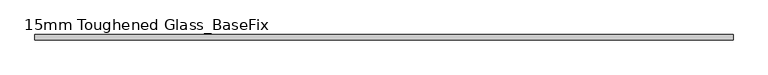
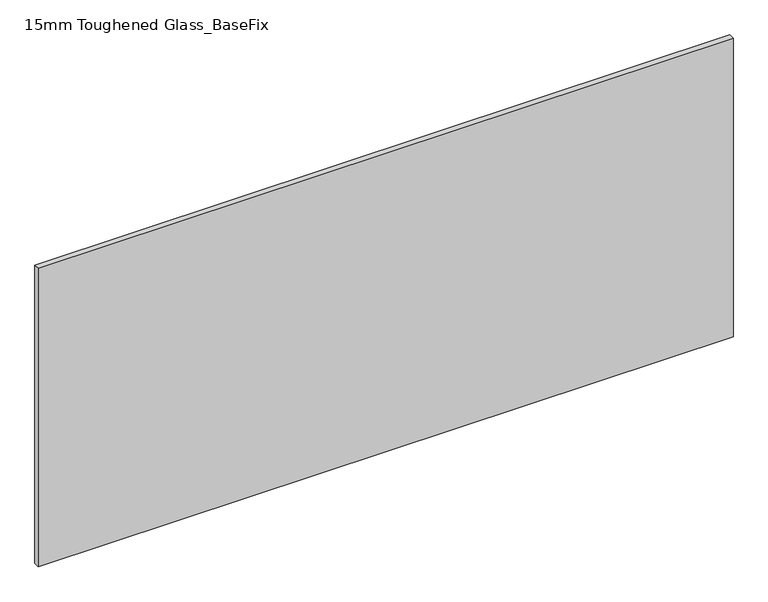
"""IFC4 building model written with IfcOpenShell, lengths in millimetres: plate geometry, 15mm Toughened Glass_BaseFix."""

from ifc_helpers import new_model, si_unit, origin, origin_with_axes, place, context, project, spatial, polyline, outline, extrude, source, transform, mapped, element, save


def plate_15mm_toughened_glass_basefix_fa3ad348(model_context):
    return source(origin(), model_context, "Body", "SweptSolid", [
        extrude(outline(polyline([(945.0000001, 7.5), (945.0000001, -7.5), (-945.0000001, -7.5), (-945.0000001, 7.5), (945.0000001, 7.5)])), origin_with_axes(), (0.0, 0.0, 1.0), 858.0),
    ])


if __name__ == "__main__":
    model = new_model("IFC4")
    model_context = context("Model", 3, world=origin())
    ifc_project = project(units=[si_unit("LENGTHUNIT", "METRE", prefix="MILLI")], contexts=[model_context])
    site = spatial("IfcSite", under=ifc_project)
    building = spatial("IfcBuilding", under=site)
    placement = place(None, origin())
    plate_15mm_toughened_glass_basefix_shape = plate_15mm_toughened_glass_basefix_fa3ad348(model_context)
    element("IfcPlate", 1, ObjectType="15mm Toughened Glass_BaseFix", at=placement, inside=building, context=model_context, shape_type="MappedRepresentation", body=[
        mapped(plate_15mm_toughened_glass_basefix_shape, transform((0.0, 0.0, 0.0), x_axis=(1.0, 0.0, 0.0), y_axis=(0.0, 1.0, 0.0), z_axis=(0.0, 0.0, 1.0))),
    ])
    save(model, "model.ifc")
